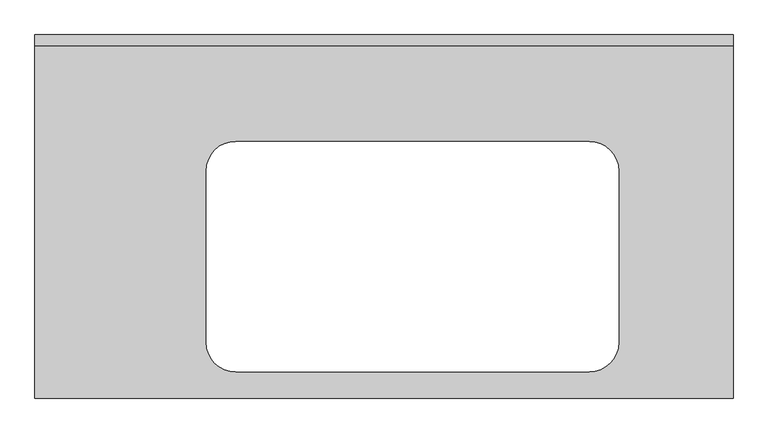
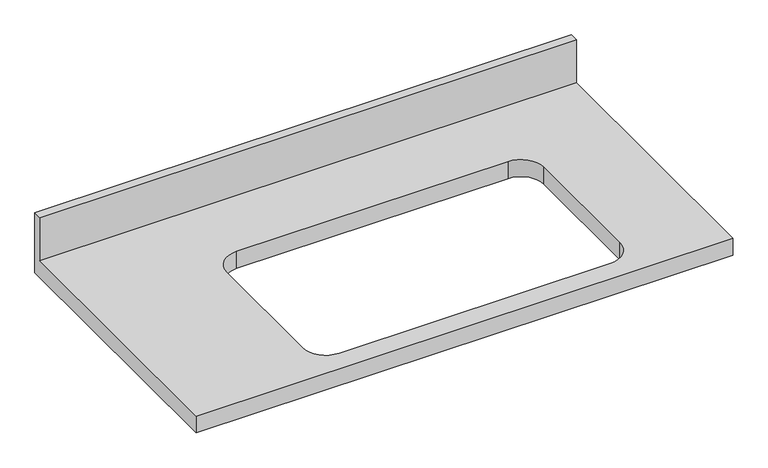
"""IFC4 building model written with IfcOpenShell, lengths in millimetres: furniture geometry."""

from ifc_helpers import new_model, si_unit, frame, origin, place, context, project, spatial, polyline, circle_curve, source, transform, mapped, element, save
from ifc_brep_helpers import plane_surface, revolved_surface, advanced_brep


def furniture_f11fd7e6(model_context):
    return source(origin(), model_context, "Body", "AdvancedBrep", [
        advanced_brep(
        [(-1200.4622951, -625.0, 900.0), (-0.4622951, -625.0, 900.0), (-0.4622951, -19.05, 900.0), (-1200.4622951, -19.05, 900.0), (-855.0998289, -183.2152898, 900.0), (-248.0420698, -183.2152898, 900.0), (-197.2420698, -234.0152898, 900.0), (-197.2420698, -529.1203375, 900.0), (-248.0420698, -579.9203375, 900.0), (-855.0998289, -579.9203375, 900.0), (-905.8998289, -529.1203375, 900.0), (-905.8998289, -234.0152898, 900.0), (-0.4622951, 0.0, 860.0), (-0.4622951, -625.0, 860.0), (-1200.4622951, -625.0, 860.0), (-1200.4622951, 0.0, 860.0), (-248.0420698, -183.2152898, 860.0), (-855.0998289, -183.2152898, 860.0), (-905.8998289, -234.0152898, 860.0), (-905.8998289, -529.1203375, 860.0), (-855.0998289, -579.9203375, 860.0), (-248.0420698, -579.9203375, 860.0), (-197.2420698, -529.1203375, 860.0), (-197.2420698, -234.0152898, 860.0), (-1200.4622951, 0.0, 1001.6), (-0.4622951, 0.0, 1001.6), (-1200.4622951, -19.05, 1001.6), (-0.4622951, -19.05, 1001.6)],
        [
            (0, 1),
            (1, 2),
            (2, 3),
            (3, 0),
            (4, 5),
            (5, 6, circle_curve(frame((-248.0420698, -234.0152898, 900.0), z_axis=(0.0, 0.0, -1.0), x_axis=(1.0, 0.0, 0.0)), 50.8)),
            (6, 7),
            (7, 8, circle_curve(frame((-248.0420698, -529.1203375, 900.0), z_axis=(0.0, 0.0, -1.0), x_axis=(1.0, 0.0, 0.0)), 50.8)),
            (8, 9),
            (9, 10, circle_curve(frame((-855.0998289, -529.1203375, 900.0), z_axis=(0.0, 0.0, -1.0), x_axis=(1.0, 0.0, 0.0)), 50.8)),
            (10, 11),
            (11, 4, circle_curve(frame((-855.0998289, -234.0152898, 900.0), z_axis=(0.0, 0.0, -1.0), x_axis=(1.0, 0.0, 0.0)), 50.8)),
            (12, 13),
            (13, 14),
            (14, 15),
            (15, 12),
            (16, 17),
            (17, 18, circle_curve(frame((-855.0998289, -234.0152898, 860.0), z_axis=(0.0, 0.0, 1.0), x_axis=(1.0, 0.0, 0.0)), 50.8)),
            (18, 19),
            (19, 20, circle_curve(frame((-855.0998289, -529.1203375, 860.0), z_axis=(0.0, 0.0, 1.0), x_axis=(1.0, 0.0, 0.0)), 50.8)),
            (20, 21),
            (21, 22, circle_curve(frame((-248.0420698, -529.1203375, 860.0), z_axis=(0.0, 0.0, 1.0), x_axis=(1.0, 0.0, 0.0)), 50.8)),
            (22, 23),
            (23, 16, circle_curve(frame((-248.0420698, -234.0152898, 860.0), z_axis=(0.0, 0.0, 1.0), x_axis=(1.0, 0.0, 0.0)), 50.8)),
            (15, 24),
            (24, 25),
            (25, 12),
            (14, 0),
            (3, 26),
            (26, 24),
            (13, 1),
            (25, 27),
            (27, 2),
            (26, 27),
            (4, 17),
            (16, 5),
            (11, 18),
            (10, 19),
            (9, 20),
            (8, 21),
            (7, 22),
            (6, 23),
        ],
        [
            plane_surface(frame((-1200.4622951, 0.0, 900.0), z_axis=(0.0, 0.0, 1.0), x_axis=(-1.0, 0.0, 0.0))),
            plane_surface(frame((-1200.4622951, 0.0, 860.0), z_axis=(0.0, 0.0, -1.0), x_axis=(1.0, 0.0, 0.0))),
            plane_surface(frame((-0.4622951, 0.0, 900.0), z_axis=(0.0, 1.0, 0.0), x_axis=(0.0, 0.0, -1.0))),
            plane_surface(frame((-1200.4622951, 0.0, 900.0), z_axis=(-1.0, 0.0, 0.0), x_axis=(0.0, 0.0, -1.0))),
            plane_surface(frame((-1200.4622951, -625.0, 900.0), z_axis=(0.0, -1.0, 0.0), x_axis=(0.0, 0.0, -1.0))),
            plane_surface(frame((-0.4622951, -625.0, 900.0), z_axis=(1.0, 0.0, 0.0), x_axis=(0.0, 0.0, -1.0))),
            plane_surface(frame((-1200.4622951, 0.0, 1001.6), z_axis=(0.0, 0.0, 1.0), x_axis=(0.0, -1.0, 0.0))),
            plane_surface(frame((-1200.4622951, -19.05, 1001.6), z_axis=(0.0, -1.0, 0.0), x_axis=(0.0, 0.0, -1.0))),
            plane_surface(frame((-248.0420698, -183.2152898, 900.0), z_axis=(0.0, -1.0, 0.0), x_axis=(0.0, 0.0, -1.0))),
            revolved_surface(polyline([(-804.2998289000001, -234.0152898, 900.0), (-804.2998289000001, -234.0152898, 860.0)]), (-855.0998289, -234.0152898, 860.0), (0.0, 0.0, 1.0)),
            plane_surface(frame((-905.8998289, -234.0152898, 900.0), z_axis=(1.0, 0.0, 0.0), x_axis=(0.0, 0.0, -1.0))),
            revolved_surface(polyline([(-804.2998289000001, -529.1203375, 900.0), (-804.2998289000001, -529.1203375, 860.0)]), (-855.0998289, -529.1203375, 860.0), (0.0, 0.0, 1.0)),
            plane_surface(frame((-855.0998289, -579.9203375, 900.0), z_axis=(0.0, 1.0, 0.0), x_axis=(0.0, 0.0, -1.0))),
            revolved_surface(polyline([(-197.24206980000002, -529.1203375, 900.0), (-197.24206980000002, -529.1203375, 860.0)]), (-248.0420698, -529.1203375, 860.0), (0.0, 0.0, 1.0)),
            plane_surface(frame((-197.2420698, -529.1203375, 900.0), z_axis=(-1.0, 0.0, 0.0), x_axis=(0.0, 0.0, -1.0))),
            revolved_surface(polyline([(-197.24206980000002, -234.0152898, 900.0), (-197.24206980000002, -234.0152898, 860.0)]), (-248.0420698, -234.0152898, 860.0), (0.0, 0.0, 1.0)),
        ],
        [
            (0, [[1, 2, 3, 4], [5, 6, 7, 8, 9, 10, 11, 12]]),
            (1, [[13, 14, 15, 16], [17, 18, 19, 20, 21, 22, 23, 24]]),
            (2, [[-16, 25, 26, 27]]),
            (3, [[-15, 28, -4, 29, 30, -25]]),
            (4, [[-1, -28, -14, 31]]),
            (5, [[-13, -27, 32, 33, -2, -31]]),
            (6, [[-30, 34, -32, -26]]),
            (7, [[-34, -29, -3, -33]]),
            (8, [[35, -17, 36, -5]]),
            (9, [[-35, -12, 37, -18]]),
            (10, [[-37, -11, 38, -19]]),
            (11, [[-38, -10, 39, -20]]),
            (12, [[-39, -9, 40, -21]]),
            (13, [[-40, -8, 41, -22]]),
            (14, [[-41, -7, 42, -23]]),
            (15, [[-36, -24, -42, -6]]),
        ],
    ),
    ])


if __name__ == "__main__":
    model = new_model("IFC4")
    model_context = context("Model", 3, world=origin())
    ifc_project = project(units=[si_unit("LENGTHUNIT", "METRE", prefix="MILLI")], contexts=[model_context])
    site = spatial("IfcSite", under=ifc_project)
    building = spatial("IfcBuilding", under=site)
    placement = place(None, origin())
    furniture_shape = furniture_f11fd7e6(model_context)
    element("IfcFurniture", 1, at=placement, inside=building, context=model_context, shape_type="MappedRepresentation", body=[
        mapped(furniture_shape, transform((0.0, 0.0, 0.0), x_axis=(1.0, 0.0, 0.0), y_axis=(0.0, 1.0, 0.0), z_axis=(0.0, 0.0, 1.0))),
    ])
    save(model, "model.ifc")
